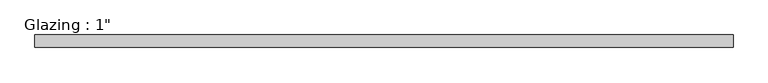
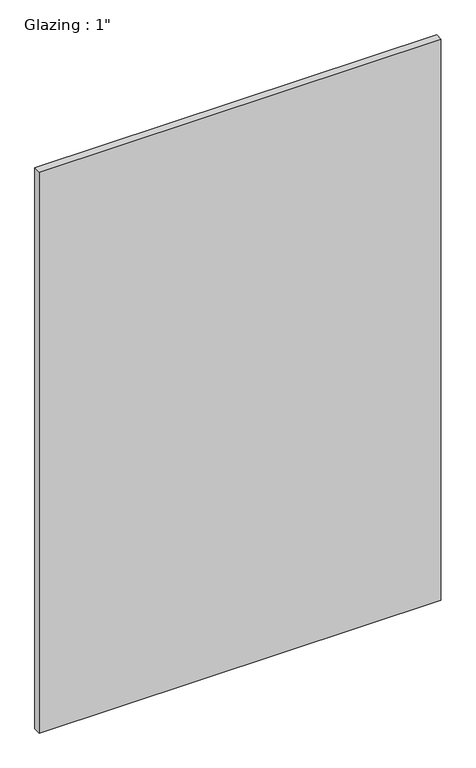
"""IFC4 building model written with IfcOpenShell, lengths in millimetres: plate geometry."""

from ifc_helpers import new_model, si_unit, origin, origin_with_axes, place, context, project, spatial, polyline, outline, extrude, source, transform, mapped, element, save


def plate_92540916(model_context):
    return source(origin(), model_context, "Body", "SweptSolid", [
        extrude(outline(polyline([(709.0776675, -12.7), (-709.0776675, -12.7), (-709.0776675, 12.7), (709.0776675, 12.7), (709.0776675, -12.7)])), origin_with_axes(), (0.0, 0.0, 1.0), 2094.5430277),
    ])


if __name__ == "__main__":
    model = new_model("IFC4")
    model_context = context("Model", 3, world=origin())
    ifc_project = project(units=[si_unit("LENGTHUNIT", "METRE", prefix="MILLI")], contexts=[model_context])
    site = spatial("IfcSite", under=ifc_project)
    building = spatial("IfcBuilding", under=site)
    placement = place(None, origin())
    plate_shape = plate_92540916(model_context)
    element("IfcPlate", 1, ObjectType="Glazing : 1\"", at=placement, inside=building, context=model_context, shape_type="MappedRepresentation", body=[
        mapped(plate_shape, transform((0.0, 0.0, 0.0), x_axis=(1.0, 0.0, 0.0), y_axis=(0.0, 1.0, 0.0), z_axis=(0.0, 0.0, 1.0))),
    ])
    save(model, "model.ifc")
